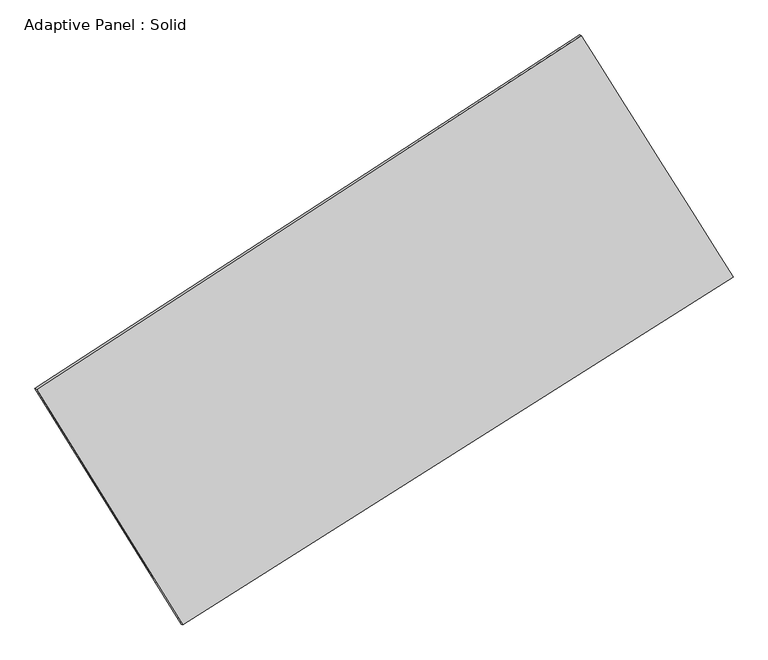
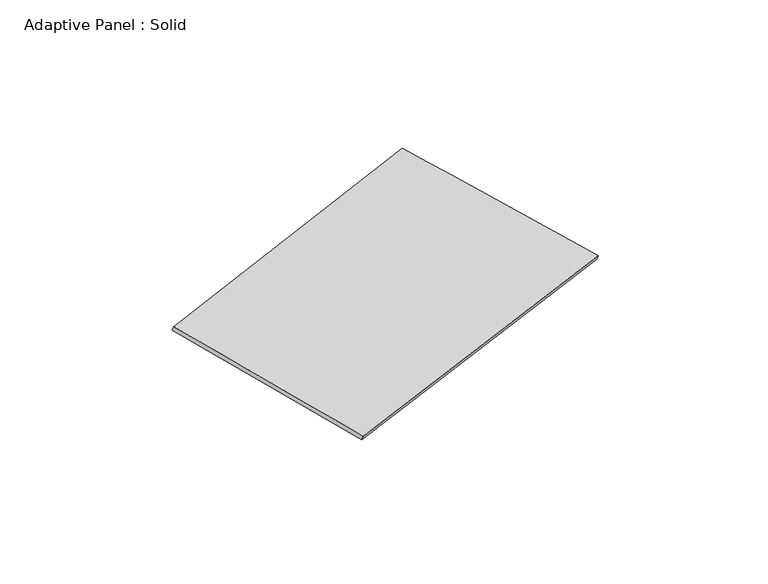
"""IFC4 building model written with IfcOpenShell, lengths in millimetres: plate geometry, Adaptive Panel : Solid."""

import ifcopenshell
import ifcopenshell.guid

model = None  # the IFC model being written
_history = None  # IfcOwnerHistory: only IFC2X3 demands one
_inside = {}  # id of a spatial element -> (the spatial element, [elements in it])
_under = {}  # id of a project, library or spatial element -> (it, [spatial elements below it])
_declared = {}  # id of a project -> (the project, [libraries it declares])
_typed = {}  # id of a type object -> (the type object, [elements of that type])
_made_of = {}  # id of a material, layer set ... -> (it, [elements and type objects made of it])


def new_model(schema):
    """Start an empty IFC model of exactly this schema.

    Asked for "IFC4X3", IfcOpenShell would pick the latest addendum, in which some entities
    have other attributes; the version numbers below select the first issue.
    IFC2X3 requires an IfcOwnerHistory on every rooted entity: one is made here for all.
    """
    global model, _history
    if schema == "IFC4X3":
        model = ifcopenshell.file(schema_version=(4, 3, 0, 0))
    else:
        model = ifcopenshell.file(schema=schema)
    _inside.clear()
    _under.clear()
    _declared.clear()
    _typed.clear()
    _made_of.clear()
    _history = None
    if model.schema == "IFC2X3":
        org = make("IfcOrganization", Name="unknown")
        user = make(
            "IfcPersonAndOrganization",
            ThePerson=make("IfcPerson", FamilyName="unknown"),
            TheOrganization=org,
        )
        app = make(
            "IfcApplication",
            ApplicationDeveloper=org,
            Version="unknown",
            ApplicationFullName="unknown",
            ApplicationIdentifier="unknown",
        )
        _history = make(
            "IfcOwnerHistory",
            OwningUser=user,
            OwningApplication=app,
            ChangeAction="ADDED",
            CreationDate=0,
        )
    return model


def make(cls, **values):
    """One entity of the class cls with the attributes given. An attribute that is None is left unset."""
    return model.create_entity(
        cls, **{name: value for name, value in values.items() if value is not None}
    )


def rooted(cls, **values):
    """An entity with a GlobalId (a new one), such as an element, a storey or a relation."""
    return make(cls, GlobalId=ifcopenshell.guid.new(), OwnerHistory=_history, **values)


def si_unit(unit_type, name, prefix=None):
    """IfcSIUnit, for example si_unit("LENGTHUNIT", "METRE", prefix="MILLI")."""
    return make("IfcSIUnit", UnitType=unit_type, Prefix=prefix, Name=name)


def assignment(units):
    """IfcUnitAssignment: the units of a project."""
    return None if units is None else make("IfcUnitAssignment", Units=units)


def point(xyz):
    """IfcCartesianPoint."""
    return None if xyz is None else make("IfcCartesianPoint", Coordinates=xyz)


def direction(xyz):
    """IfcDirection."""
    return None if xyz is None else make("IfcDirection", DirectionRatios=xyz)


def frame(location, z_axis=None, x_axis=None):
    """IfcAxis2Placement3D, a coordinate frame: its origin and axes. An axis left out is left unset."""
    return make(
        "IfcAxis2Placement3D",
        Location=point(location),
        Axis=direction(z_axis),
        RefDirection=direction(x_axis),
    )


def origin():
    """The frame at (0, 0, 0) with its axes left unset."""
    return frame((0.0, 0.0, 0.0))


def place(relative_to, where):
    """IfcLocalPlacement: puts the frame where relative to a parent placement (None: the world)."""
    return make(
        "IfcLocalPlacement", PlacementRelTo=relative_to, RelativePlacement=where
    )


def context(
    kind, dimensions, precision=None, world=None, true_north=None, identifier=None
):
    """IfcGeometricRepresentationContext, for example the 3D "Model" context."""
    return make(
        "IfcGeometricRepresentationContext",
        ContextIdentifier=identifier,
        ContextType=kind,
        CoordinateSpaceDimension=dimensions,
        Precision=precision,
        WorldCoordinateSystem=world,
        TrueNorth=true_north,
    )


def project(units=None, contexts=None):
    """IfcProject with its units and contexts."""
    return rooted(
        "IfcProject",
        Name="project",
        RepresentationContexts=contexts,
        UnitsInContext=assignment(units),
    )


def spatial(cls, under=None, at=None, **own):
    """A site, building, storey or space (cls), placed at a placement, below another one or the project."""
    s = rooted(cls, ObjectPlacement=at, **own)
    if under is not None:
        _under.setdefault(under.id(), (under, []))[1].append(s)
    return s


def shape(context_of_items, identifier, shape_type, items):
    """IfcShapeRepresentation: the items that make up one representation, for example the "Body"."""
    return make(
        "IfcShapeRepresentation",
        ContextOfItems=context_of_items,
        RepresentationIdentifier=identifier,
        RepresentationType=shape_type,
        Items=items,
    )


def source(mapping_origin, context_of_items, identifier, shape_type, items):
    """IfcRepresentationMap: a shape defined once, which mapped items show again and again."""
    return make(
        "IfcRepresentationMap",
        MappingOrigin=mapping_origin,
        MappedRepresentation=shape(context_of_items, identifier, shape_type, items),
    )


def transform(
    local_origin,
    x_axis=None,
    y_axis=None,
    z_axis=None,
    scale=None,
    scale2=None,
    scale3=None,
    uniform=True,
):
    """IfcCartesianTransformationOperator3D, or its non-uniform kind. x_axis, y_axis, z_axis: its Axis1, 2, 3."""
    if uniform:
        return make(
            "IfcCartesianTransformationOperator3D",
            Axis1=direction(x_axis),
            Axis2=direction(y_axis),
            LocalOrigin=point(local_origin),
            Scale=scale,
            Axis3=direction(z_axis),
        )
    return make(
        "IfcCartesianTransformationOperator3DnonUniform",
        Axis1=direction(x_axis),
        Axis2=direction(y_axis),
        LocalOrigin=point(local_origin),
        Scale=scale,
        Axis3=direction(z_axis),
        Scale2=scale2,
        Scale3=scale3,
    )


def mapped(mapping_source, mapping_target):
    """IfcMappedItem: shows the shape of a source again, moved by a transform."""
    return make(
        "IfcMappedItem", MappingSource=mapping_source, MappingTarget=mapping_target
    )


def made_of(thing, what):
    """Note that an element or type object is made of a material, layer set ...; save() writes the relation."""
    if what is not None:
        _made_of.setdefault(what.id(), (what, []))[1].append(thing)
    return thing


def element(
    cls,
    number,
    at=None,
    inside=None,
    cuts=None,
    type_object=None,
    material=None,
    context=None,
    identifier="Body",
    shape_type=None,
    held_by="IfcProductDefinitionShape",
    body=None,
    shapes=None,
    **own,
):
    """One element of the class cls, such as IfcWall. Its Tag is "e" and its number.

    at: its placement. inside: the storey or other place that contains it. cuts: it is an
    opening in that element (IfcRelVoidsElement). A single representation is given by context,
    identifier, shape_type and body (its items); several are given by shapes. held_by: the class
    of the entity that holds the representations. save() writes the other relations.
    """
    e = rooted(cls, Tag="e%d" % number, ObjectPlacement=at, **own)
    if body is not None:
        shapes = [shape(context, identifier, shape_type, body)]
    if shapes is not None:
        e.Representation = make(held_by, Representations=shapes)
    if inside is not None:
        _inside.setdefault(inside.id(), (inside, []))[1].append(e)
    if cuts is not None:
        rooted(
            "IfcRelVoidsElement", RelatingBuildingElement=cuts, RelatedOpeningElement=e
        )
    if type_object is not None:
        _typed.setdefault(type_object.id(), (type_object, []))[1].append(e)
    return made_of(e, material)


def aggregate(whole, parts):
    """IfcRelAggregates: a whole, such as a stair, and the parts it consists of."""
    return rooted("IfcRelAggregates", RelatingObject=whole, RelatedObjects=parts)


def save(model, path):
    """Write the relations noted so far, then the file.

    IfcRelAggregates (storeys below a building ...), IfcRelContainedInSpatialStructure (elements
    in a storey), IfcRelDefinesByType, IfcRelAssociatesMaterial and IfcRelDeclares: one each for
    every whole, place, type object, material and project.
    """
    for whole, parts in _under.values():
        aggregate(whole, parts)
    for where, things in _inside.values():
        rooted(
            "IfcRelContainedInSpatialStructure",
            RelatedElements=things,
            RelatingStructure=where,
        )
    for kind, things in _typed.values():
        rooted("IfcRelDefinesByType", RelatedObjects=things, RelatingType=kind)
    for what, things in _made_of.values():
        rooted("IfcRelAssociatesMaterial", RelatedObjects=things, RelatingMaterial=what)
    for by, libraries in _declared.values():
        rooted("IfcRelDeclares", RelatingContext=by, RelatedDefinitions=libraries)
    model.write(path)


def plane_surface(at):
    """IfcPlane: the flat surface through the origin of the frame at, square to its z axis."""
    return make("IfcPlane", Position=at)


def spline_surface(u_degree, v_degree, points, u_multiplicities, v_multiplicities, u_knots, v_knots, weights=None):
    """IfcBSplineSurfaceWithKnots; with weights, IfcRationalBSplineSurfaceWithKnots. points: one row for each step in u."""
    own = dict(
        UDegree=u_degree,
        VDegree=v_degree,
        ControlPointsList=[[point(p) for p in row] for row in points],
        SurfaceForm="UNSPECIFIED",
        UClosed=False,
        VClosed=False,
        SelfIntersect=False,
        UMultiplicities=u_multiplicities,
        VMultiplicities=v_multiplicities,
        UKnots=u_knots,
        VKnots=v_knots,
        KnotSpec="UNSPECIFIED",
    )
    if weights is None:
        return make("IfcBSplineSurfaceWithKnots", **own)
    return make("IfcRationalBSplineSurfaceWithKnots", WeightsData=weights, **own)


def advanced_brep(points, edges, surfaces, faces):
    """IfcAdvancedBrep: a solid bounded by faces that lie on surfaces and meet in shared edges.

    An edge is (start, end): straight between two places in points (the first is 0);
    or (start, end, curve); or (start, end, curve, False) where it runs against its curve.
    A face is (place in surfaces, loops), or (place, loops, False) where it looks against
    its surface's normal. A loop lists edges by number (the first is 1), with a minus sign
    where the edge is run from its end to its start. The first loop is the outer one.
    """
    corners = [point(p) for p in points]
    vertices = [make("IfcVertexPoint", VertexGeometry=c) for c in corners]
    made = []
    for start, end, *more in edges:
        made.append(
            make(
                "IfcEdgeCurve",
                EdgeStart=vertices[start],
                EdgeEnd=vertices[end],
                EdgeGeometry=more[0] if more else make("IfcPolyline", Points=[corners[start], corners[end]]),
                SameSense=more[1] if len(more) > 1 else True,
            )
        )
    hull = []
    for where, loops, *sense in faces:
        bounds = []
        for j, loop in enumerate(loops):
            ring = [make("IfcOrientedEdge", EdgeElement=made[abs(k) - 1], Orientation=k > 0) for k in loop]
            bounds.append(
                make(
                    "IfcFaceOuterBound" if j == 0 else "IfcFaceBound",
                    Bound=make("IfcEdgeLoop", EdgeList=ring),
                    Orientation=True,
                )
            )
        hull.append(make("IfcAdvancedFace", Bounds=bounds, FaceSurface=surfaces[where], SameSense=sense[0] if sense else True))
    return make("IfcAdvancedBrep", Outer=make("IfcClosedShell", CfsFaces=hull))


def adaptive_panel_solid_c8a265c9(model_context):
    return source(origin(), model_context, "Body", "AdvancedBrep", [
        advanced_brep(
        [(1112.2309187, 2540.9138187, 665.9469248), (-3741.6195433, -613.3635803, 1774.5669645), (-3726.9531875, -619.7436737, 1821.9398725), (1126.8972745, 2534.5337252, 713.3198328), (-2438.6885276, -2714.7306041, 1057.1384942), (-2424.0221718, -2721.1106976, 1104.5114022), (2464.7865741, 386.9317928, -12.5298633), (2479.4529299, 380.5516994, 34.8430447)],
        [
            (0, 1),
            (1, 2),
            (2, 3),
            (3, 0),
            (1, 4),
            (4, 5),
            (5, 2),
            (4, 6),
            (6, 7),
            (7, 5),
            (6, 0),
            (3, 7),
        ],
        [
            plane_surface(frame((-1314.6943123, 963.7751192, 1220.2569447), z_axis=(-0.48305974070521723, 0.8354479178039785, 0.262068814525508), x_axis=(-0.8235342823353036, -0.5351742074447353, 0.1880953308946712))),
            plane_surface(frame((-3090.1540354, -1664.0470922, 1415.8527293), z_axis=(-0.8089471217468226, -0.5612760950439738, 0.1748533652799391), x_axis=(0.5060899064250709, -0.8162217551170801, -0.2786665625586549))),
            plane_surface(frame((13.0490232, -1163.8994056, 522.3043155), z_axis=(0.4749653116425354, -0.8406377091115412, -0.2602617812050188), x_axis=(0.8311145689640262, 0.5257163037771581, -0.18130345059767508))),
            plane_surface(frame((1788.5087464, 1463.9228058, 326.7085308), z_axis=(0.8082105169491532, 0.5624564455340965, -0.1744663496779035), x_axis=(-0.513816536189063, 0.818266944598977, 0.2577436216772941))),
            spline_surface(1, 1, [[(-3726.9531875, -619.7436737, 1821.9398725), (1126.8972745, 2534.5337252, 713.3198328)], [(-2424.0221718, -2721.1106976, 1104.5114022), (2479.4529299, 380.5516994, 34.8430447)]], [2, 2], [2, 2], [0.0, 1.0], [0.0, 1.0]),
            spline_surface(1, 1, [[(2464.7865741, 386.9317928, -12.5298633), (1112.2309187, 2540.9138187, 665.9469248)], [(-2438.6885276, -2714.7306041, 1057.1384942), (-3741.6195433, -613.3635803, 1774.5669645)]], [2, 2], [2, 2], [0.0, 1.0], [0.0, 1.0]),
        ],
        [
            (0, [[1, 2, 3, 4]]),
            (1, [[5, 6, 7, -2]]),
            (2, [[8, 9, 10, -6]]),
            (3, [[11, -4, 12, -9]]),
            (4, [[-3, -7, -10, -12]]),
            (5, [[-11, -8, -5, -1]]),
        ],
    ),
    ])


if __name__ == "__main__":
    model = new_model("IFC4")
    model_context = context("Model", 3, world=origin())
    ifc_project = project(units=[si_unit("LENGTHUNIT", "METRE", prefix="MILLI")], contexts=[model_context])
    site = spatial("IfcSite", under=ifc_project)
    building = spatial("IfcBuilding", under=site)
    placement = place(None, origin())
    adaptive_panel_solid_shape = adaptive_panel_solid_c8a265c9(model_context)
    element("IfcPlate", 1, ObjectType="Adaptive Panel : Solid", at=placement, inside=building, context=model_context, shape_type="MappedRepresentation", body=[
        mapped(adaptive_panel_solid_shape, transform((0.0, 0.0, 0.0), x_axis=(1.0, 0.0, 0.0), y_axis=(0.0, 1.0, 0.0), z_axis=(0.0, 0.0, 1.0))),
    ])
    save(model, "model.ifc")
